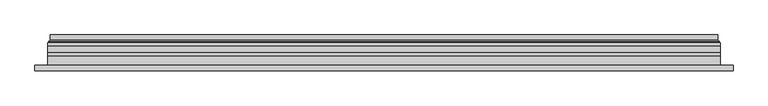
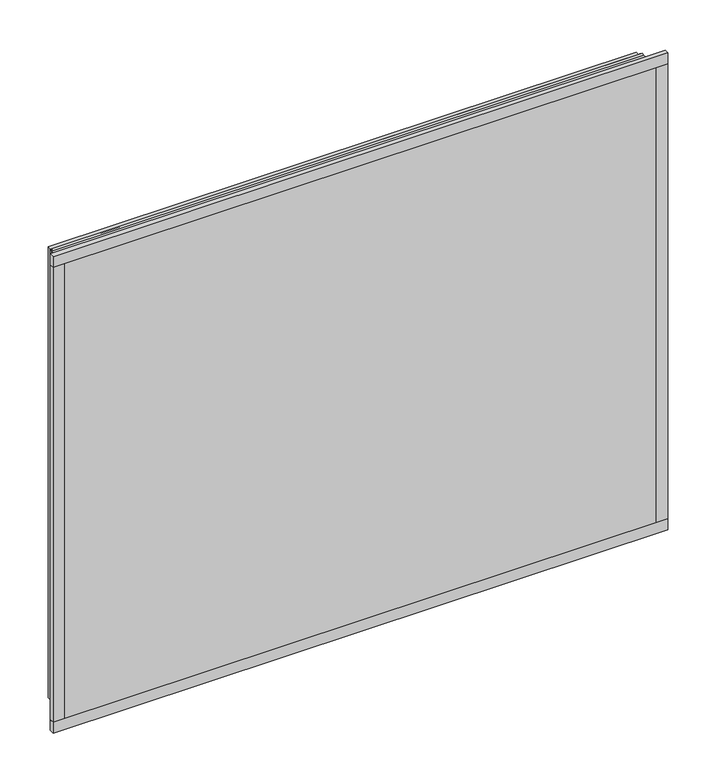
"""IFC4 building model written with IfcOpenShell, lengths in millimetres: plate geometry."""

from ifc_helpers import new_model, si_unit, frame, origin, place, context, project, spatial, polyline, ellipse_curve, outline, extrude, source, transform, mapped, element, save
from ifc_brep_helpers import plane_surface, cylinder_surface, revolved_surface, advanced_brep


def plate_ee3e2e0b(model_context):
    return source(origin(), model_context, "Body", "SolidModel", [
        extrude(outline(polyline([(33.5, -579.0), (33.5, 579.0), (966.5, 579.0), (966.5, -579.0), (33.5, -579.0)]), holes=[polyline([(38.5, 574.0), (38.5, -574.0), (961.5, -574.0), (961.5, 574.0), (38.5, 574.0)])]), frame((0.0, 0.0, 0.0), z_axis=(0.0, 1.0, 0.0), x_axis=(0.0, 0.0, 1.0)), (0.0, 0.0, 1.0), 12.0),
        extrude(outline(polyline([(11.5, -601.0), (11.5, 601.0), (988.5, 601.0), (988.5, -601.0), (11.5, -601.0)]), holes=[polyline([(33.5, 579.0), (33.5, -579.0), (966.5, -579.0), (966.5, 579.0), (33.5, 579.0)])]), frame((0.0, -26.0, 0.0), z_axis=(0.0, 1.0, 0.0), x_axis=(0.0, 0.0, 1.0)), (0.0, 0.0, 1.0), 20.0),
        extrude(outline(polyline([(11.5, -601.0), (11.5, 601.0), (988.5, 601.0), (988.5, -601.0), (11.5, -601.0)]), holes=[polyline([(33.5, 579.0), (33.5, -579.0), (966.5, -579.0), (966.5, 579.0), (33.5, 579.0)])]), frame((0.0, -26.0, 0.0), z_axis=(0.0, 1.0, 0.0), x_axis=(0.0, 0.0, 1.0)), (0.0, 0.0, 1.0), 20.0),
        extrude(outline(polyline([(601.0, -6.0), (-601.0, -6.0), (-601.0, 0.0), (601.0, 0.0), (601.0, -6.0)])), frame((0.0, 0.0, 11.5), z_axis=(0.0, 0.0, 1.0), x_axis=(1.0, 0.0, 0.0)), (0.0, 0.0, 1.0), 977.0),
        extrude(outline(polyline([(624.0, -32.0), (-624.0, -32.0), (-624.0, -22.51), (624.0, -22.51), (624.0, -32.0)])), frame((0.0, 0.0, -11.5), z_axis=(0.0, 0.0, 1.0), x_axis=(1.0, 0.0, 0.0)), (0.0, 0.0, 1.0), 23.0),
        extrude(outline(polyline([(624.0, -32.0), (-624.0, -32.0), (-624.0, -22.51), (624.0, -22.51), (624.0, -32.0)])), frame((0.0, 0.0, 988.5), z_axis=(0.0, 0.0, 1.0), x_axis=(1.0, 0.0, 0.0)), (0.0, 0.0, 1.0), 23.0),
        extrude(outline(polyline([(-624.0, -32.0), (-624.0, -22.51), (-601.0, -22.51), (-601.0, -32.0), (-624.0, -32.0)])), frame((0.0, 0.0, -11.5), z_axis=(0.0, 0.0, 1.0), x_axis=(1.0, 0.0, 0.0)), (0.0, 0.0, 1.0), 1023.0),
        extrude(outline(polyline([(624.0, -32.0), (601.0, -32.0), (601.0, -22.51), (624.0, -22.51), (624.0, -32.0)])), frame((0.0, 0.0, -11.5), z_axis=(0.0, 0.0, 1.0), x_axis=(1.0, 0.0, 0.0)), (0.0, 0.0, 1.0), 1023.0),
        extrude(outline(polyline([(11.5, -601.0), (11.5, 601.0), (988.5, 601.0), (988.5, -601.0), (11.5, -601.0)]), holes=[polyline([(33.5, 579.0), (33.5, -579.0), (966.5, -579.0), (966.5, 579.0), (33.5, 579.0)])]), frame((0.0, 0.0, 0.0), z_axis=(0.0, 1.0, 0.0), x_axis=(0.0, 0.0, 1.0)), (0.0, 0.0, 1.0), 12.0),
        extrude(outline(polyline([(33.5, -579.0), (33.5, 579.0), (966.5, 579.0), (966.5, -579.0), (33.5, -579.0)]), holes=[polyline([(38.5, 574.0), (38.5, -574.0), (961.5, -574.0), (961.5, 574.0), (38.5, 574.0)])]), frame((0.0, -26.0, 0.0), z_axis=(0.0, 1.0, 0.0), x_axis=(0.0, 0.0, 1.0)), (0.0, 0.0, 1.0), 20.0),
        extrude(outline(polyline([(601.0, 18.0), (601.0, 12.0), (-601.0, 12.0), (-601.0, 18.0), (601.0, 18.0)])), frame((0.0, 0.0, 11.5), z_axis=(0.0, 0.0, 1.0), x_axis=(1.0, 0.0, 0.0)), (0.0, 0.0, 1.0), 977.0),
        extrude(outline(polyline([(-601.0, -32.0), (-601.0, -26.0), (601.0, -26.0), (601.0, -32.0), (-601.0, -32.0)])), frame((0.0, 0.0, 11.5), z_axis=(0.0, 0.0, 1.0), x_axis=(1.0, 0.0, 0.0)), (0.0, 0.0, 1.0), 977.0),
        advanced_brep(
        [(587.5000103, 32.0, 24.9999897), (-587.5000103, 32.0, 24.9999897), (-587.5000103, 21.9110895, 24.9999897), (587.5000103, 21.9110895, 24.9999897), (596.4986526, 23.3044663, 16.0013474), (-596.4986526, 23.3044663, 16.0013474), (-596.4986526, 32.0, 16.0013474), (596.4986526, 32.0, 16.0013474), (598.1689727, 20.9442833, 14.3310273), (-598.1689727, 20.9442833, 14.3310273), (597.7544044, 18.0034569, 14.7455956), (-597.7544044, 18.0034569, 14.7455956), (586.5620948, 20.2163959, 25.9379052), (-586.5620948, 20.2163959, 25.9379052), (-587.1992268, 18.0000006, 25.3007732), (587.1992268, 18.0000006, 25.3007732), (-587.5000103, 32.0, 975.0000103), (-587.5000103, 21.9110895, 975.0000103), (-596.4986526, 23.3044663, 983.9986526), (-596.4986526, 32.0, 983.9986526), (-598.1689727, 20.9442833, 985.6689727), (-597.7544044, 18.0034569, 985.2544044), (-586.5620948, 20.2163959, 974.0620948), (-587.1992268, 18.0000006, 974.6992268), (587.5000103, 32.0, 975.0000103), (587.5000103, 21.9110895, 975.0000103), (596.4986526, 23.3044663, 983.9986526), (596.4986526, 32.0, 983.9986526), (598.1689727, 20.9442833, 985.6689727), (597.7544044, 18.0034569, 985.2544044), (586.5620948, 20.2163959, 974.0620948), (587.1992268, 18.0000006, 974.6992268)],
        [
            (0, 1),
            (1, 2),
            (2, 3),
            (3, 0),
            (4, 5),
            (5, 6),
            (6, 7),
            (7, 4),
            (8, 9),
            (9, 5, ellipse_curve(frame((-598.8086832, 23.1681522, 13.6913168), z_axis=(-0.7071067811865475, 0.0, 0.7071067811865475), x_axis=(-0.7071067811865476, 0.0, -0.7071067811865474)), 3.2725594, 2.314049)),
            (4, 8, ellipse_curve(frame((598.8086832, 23.1681522, 13.6913168), z_axis=(0.7071067811865475, 0.0, 0.7071067811865475), x_axis=(-0.7071067811865476, 0.0, 0.7071067811865474)), 3.2725594, 2.314049)),
            (10, 11),
            (11, 9, ellipse_curve(frame((-597.7544044, 19.5030909, 14.7455956), z_axis=(0.7071067811865475, 0.0, -0.7071067811865475), x_axis=(0.7071067811865476, 0.0, 0.7071067811865474)), 2.1208028, 1.4996341)),
            (8, 10, ellipse_curve(frame((597.7544044, 19.5030909, 14.7455956), z_axis=(-0.7071067811865475, 0.0, -0.7071067811865475), x_axis=(0.7071067811865476, 0.0, -0.7071067811865474)), 2.1208028, 1.4996341)),
            (12, 13),
            (13, 14, ellipse_curve(frame((-587.1992268, 19.1997743, 25.3007732), z_axis=(0.7071067811865475, 0.0, -0.7071067811865475), x_axis=(0.7071067811865476, 0.0, 0.7071067811865474)), 1.6967361, 1.1997736)),
            (14, 15),
            (15, 12, ellipse_curve(frame((587.1992268, 19.1997743, 25.3007732), z_axis=(-0.7071067811865475, 0.0, -0.7071067811865475), x_axis=(0.7071067811865476, 0.0, -0.7071067811865474)), 1.6967361, 1.1997736)),
            (2, 13, ellipse_curve(frame((-585.5000051, 21.9110895, 26.9999949), z_axis=(-0.7071067811865475, 0.0, 0.7071067811865475), x_axis=(-0.7071067811865476, 0.0, -0.7071067811865474)), 2.8284345, 2.0000052)),
            (12, 3, ellipse_curve(frame((585.5000051, 21.9110895, 26.9999949), z_axis=(0.7071067811865475, 0.0, 0.7071067811865475), x_axis=(-0.7071067811865476, 0.0, 0.7071067811865474)), 2.8284345, 2.0000052)),
            (1, 16),
            (16, 17),
            (17, 2),
            (5, 18),
            (18, 19),
            (19, 6),
            (9, 20),
            (20, 18, ellipse_curve(frame((-598.8086832, 23.1681522, 986.3086832), z_axis=(0.7071067811865475, 0.0, 0.7071067811865475), x_axis=(-0.7071067811865474, 0.0, 0.7071067811865476)), 3.2725594, 2.314049)),
            (11, 21),
            (21, 20, ellipse_curve(frame((-597.7544044, 19.5030909, 985.2544044), z_axis=(-0.7071067811865475, 0.0, -0.7071067811865475), x_axis=(0.7071067811865474, 0.0, -0.7071067811865476)), 2.1208028, 1.4996341)),
            (13, 22),
            (22, 23, ellipse_curve(frame((-587.1992268, 19.1997743, 974.6992268), z_axis=(-0.7071067811865475, 0.0, -0.7071067811865475), x_axis=(0.7071067811865474, 0.0, -0.7071067811865476)), 1.6967361, 1.1997736)),
            (23, 14),
            (17, 22, ellipse_curve(frame((-585.5000051, 21.9110895, 973.0000051), z_axis=(0.7071067811865475, 0.0, 0.7071067811865475), x_axis=(-0.7071067811865474, 0.0, 0.7071067811865476)), 2.8284345, 2.0000052)),
            (16, 24),
            (24, 25),
            (25, 17),
            (18, 26),
            (26, 27),
            (27, 19),
            (20, 28),
            (28, 26, ellipse_curve(frame((598.8086832, 23.1681522, 986.3086832), z_axis=(0.7071067811865475, 0.0, -0.7071067811865475), x_axis=(0.7071067811865476, 0.0, 0.7071067811865474)), 3.2725594, 2.314049)),
            (21, 29),
            (29, 28, ellipse_curve(frame((597.7544044, 19.5030909, 985.2544044), z_axis=(-0.7071067811865475, 0.0, 0.7071067811865475), x_axis=(-0.7071067811865476, 0.0, -0.7071067811865474)), 2.1208028, 1.4996341)),
            (22, 30),
            (30, 31, ellipse_curve(frame((587.1992268, 19.1997743, 974.6992268), z_axis=(-0.7071067811865475, 0.0, 0.7071067811865475), x_axis=(-0.7071067811865476, 0.0, -0.7071067811865474)), 1.6967361, 1.1997736)),
            (31, 23),
            (25, 30, ellipse_curve(frame((585.5000051, 21.9110895, 973.0000051), z_axis=(0.7071067811865475, 0.0, -0.7071067811865475), x_axis=(0.7071067811865476, 0.0, 0.7071067811865474)), 2.8284345, 2.0000052)),
            (24, 0),
            (3, 25),
            (26, 4),
            (7, 27),
            (28, 8),
            (29, 10),
            (31, 15),
            (30, 12),
        ],
        [
            plane_surface(frame((587.5000103, 21.9110895, 24.9999897), z_axis=(0.0, 0.0, 1.0), x_axis=(-1.0, 0.0, 0.0))),
            plane_surface(frame((596.4986526, 32.0, 16.0013474), z_axis=(0.0, 0.0, -1.0), x_axis=(-1.0, 0.0, 0.0))),
            revolved_surface(polyline([(-601.1227321435756, 25.482201200000002, 13.6913168), (601.1227321435758, 25.482201200000002, 13.6913168)]), (587.5, 23.1681522, 13.6913168), (-1.0, 0.0, 0.0)),
            cylinder_surface(frame((587.5, 19.5030909, 14.7455956), z_axis=(1.0, 0.0, 0.0), x_axis=(0.0, 1.0, 0.0)), 1.4996341),
            cylinder_surface(frame((587.5, 19.1997743, 25.3007732), z_axis=(1.0, 0.0, 0.0), x_axis=(0.0, 1.0, 0.0)), 1.1997736),
            revolved_surface(polyline([(-587.5000103150919, 23.9110947, 26.9999949), (587.5000103150919, 23.9110947, 26.9999949)]), (587.5, 21.9110895, 26.9999949), (-1.0, 0.0, 0.0)),
            plane_surface(frame((-587.5000103, 21.9110895, 24.9999897), z_axis=(1.0, 0.0, 0.0), x_axis=(0.0, 0.0, 1.0))),
            plane_surface(frame((-596.4986526, 32.0, 16.0013474), z_axis=(-1.0, 0.0, 0.0), x_axis=(0.0, 0.0, 1.0))),
            revolved_surface(polyline([(-598.8086832, 25.482201200000002, 988.6227321435758), (-598.8086832, 25.482201200000002, 11.37726785642422)]), (-598.8086832, 23.1681522, 25.0), (0.0, 0.0, 1.0)),
            cylinder_surface(frame((-597.7544044, 19.5030909, 25.0), z_axis=(0.0, 0.0, -1.0), x_axis=(0.0, 1.0, 0.0)), 1.4996341),
            cylinder_surface(frame((-587.1992268, 19.1997743, 25.0), z_axis=(0.0, 0.0, -1.0), x_axis=(0.0, 1.0, 0.0)), 1.1997736),
            revolved_surface(polyline([(-585.5000051, 23.9110947, 975.0000103150919), (-585.5000051, 23.9110947, 24.99998968490802)]), (-585.5000051, 21.9110895, 25.0), (0.0, 0.0, 1.0)),
            plane_surface(frame((-587.5000103, 21.9110895, 975.0000103), z_axis=(0.0, 0.0, -1.0), x_axis=(1.0, 0.0, 0.0))),
            plane_surface(frame((-596.4986526, 32.0, 983.9986526), z_axis=(0.0, 0.0, 1.0), x_axis=(1.0, 0.0, 0.0))),
            revolved_surface(polyline([(601.1227321435756, 25.482201200000002, 986.3086832), (-601.1227321435758, 25.482201200000002, 986.3086832)]), (-587.5, 23.1681522, 986.3086832), (1.0, 0.0, 0.0)),
            cylinder_surface(frame((-587.5, 19.5030909, 985.2544044), z_axis=(-1.0, 0.0, 0.0), x_axis=(0.0, 1.0, 0.0)), 1.4996341),
            cylinder_surface(frame((-587.5, 19.1997743, 974.6992268), z_axis=(-1.0, 0.0, 0.0), x_axis=(0.0, 1.0, 0.0)), 1.1997736),
            revolved_surface(polyline([(587.5000103150919, 23.9110947, 973.0000051), (-587.5000103150919, 23.9110947, 973.0000051)]), (-587.5, 21.9110895, 973.0000051), (1.0, 0.0, 0.0)),
            plane_surface(frame((587.5000103, 21.9110895, 975.0000103), z_axis=(-1.0, 0.0, 0.0), x_axis=(0.0, 0.0, -1.0))),
            plane_surface(frame((596.4986526, 32.0, 983.9986526), z_axis=(1.0, 0.0, 0.0), x_axis=(0.0, 0.0, -1.0))),
            revolved_surface(polyline([(598.8086832, 25.482201200000002, 11.377267856424169), (598.8086832, 25.482201200000002, 988.6227321435758)]), (598.8086832, 23.1681522, 975.0), (0.0, 0.0, -1.0)),
            cylinder_surface(frame((597.7544044, 19.5030909, 975.0), z_axis=(0.0, 0.0, 1.0), x_axis=(0.0, 1.0, 0.0)), 1.4996341),
            plane_surface(frame((597.7544044, 18.0000006, 985.2544044), z_axis=(0.0, -1.0, 0.0), x_axis=(0.0, 0.0, -1.0))),
            cylinder_surface(frame((587.1992268, 19.1997743, 975.0), z_axis=(0.0, 0.0, 1.0), x_axis=(0.0, 1.0, 0.0)), 1.1997736),
            revolved_surface(polyline([(585.5000051, 23.9110947, 24.999989684908087), (585.5000051, 23.9110947, 975.0000103150919)]), (585.5000051, 21.9110895, 975.0), (0.0, 0.0, -1.0)),
            plane_surface(frame((587.5000103, 32.0, 975.0000103), z_axis=(0.0, 1.0, 0.0), x_axis=(0.0, 0.0, -1.0))),
        ],
        [
            (0, [[1, 2, 3, 4]]),
            (1, [[5, 6, 7, 8]]),
            (2, [[9, 10, -5, 11]]),
            (3, [[12, 13, -9, 14]]),
            (4, [[15, 16, 17, 18]]),
            (5, [[-3, 19, -15, 20]]),
            (6, [[21, 22, 23, -2]]),
            (7, [[24, 25, 26, -6]]),
            (8, [[27, 28, -24, -10]]),
            (9, [[29, 30, -27, -13]]),
            (10, [[31, 32, 33, -16]]),
            (11, [[-23, 34, -31, -19]]),
            (12, [[35, 36, 37, -22]]),
            (13, [[38, 39, 40, -25]]),
            (14, [[41, 42, -38, -28]]),
            (15, [[43, 44, -41, -30]]),
            (16, [[45, 46, 47, -32]]),
            (17, [[-37, 48, -45, -34]]),
            (18, [[49, -4, 50, -36]]),
            (19, [[51, -8, 52, -39]]),
            (20, [[53, -11, -51, -42]]),
            (21, [[54, -14, -53, -44]]),
            (22, [[-12, -54, -43, -29], [-17, -33, -47, 55]]),
            (23, [[56, -18, -55, -46]]),
            (24, [[-50, -20, -56, -48]]),
            (25, [[-7, -26, -40, -52], [-1, -49, -35, -21]]),
        ],
    ),
    ])


if __name__ == "__main__":
    model = new_model("IFC4")
    model_context = context("Model", 3, world=origin())
    ifc_project = project(units=[si_unit("LENGTHUNIT", "METRE", prefix="MILLI")], contexts=[model_context])
    site = spatial("IfcSite", under=ifc_project)
    building = spatial("IfcBuilding", under=site)
    placement = place(None, origin())
    plate_shape = plate_ee3e2e0b(model_context)
    element("IfcPlate", 1, at=placement, inside=building, context=model_context, shape_type="MappedRepresentation", body=[
        mapped(plate_shape, transform((0.0, 0.0, 0.0), x_axis=(1.0, 0.0, 0.0), y_axis=(0.0, 1.0, 0.0), z_axis=(0.0, 0.0, 1.0))),
    ])
    save(model, "model.ifc")
